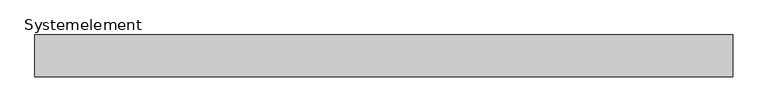
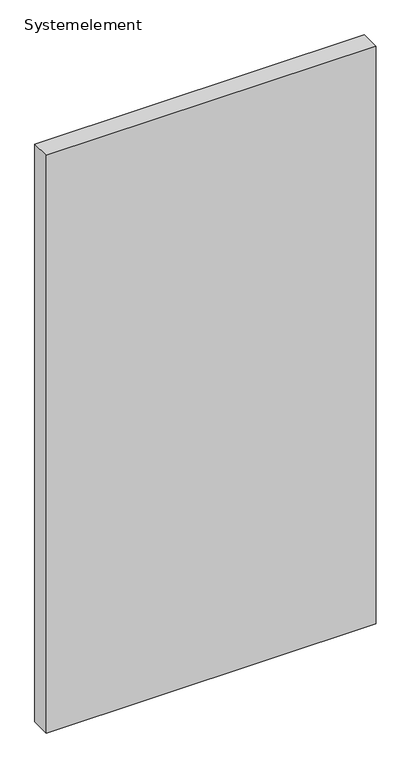
"""IFC4 building model written with IfcOpenShell, lengths in millimetres: plate geometry, Systemelement."""

from ifc_helpers import new_model, si_unit, origin, origin_with_axes, place, context, project, spatial, polyline, outline, extrude, source, transform, mapped, element, save


def systemelement_7816e761(model_context):
    return source(origin(), model_context, "Body", "SweptSolid", [
        extrude(outline(polyline([(500.0, -60.0), (-500.0, -60.0), (-500.0, 0.0), (500.0, 0.0), (500.0, -60.0)])), origin_with_axes(), (0.0, 0.0, 1.0), 1851.6147161),
    ])


if __name__ == "__main__":
    model = new_model("IFC4")
    model_context = context("Model", 3, world=origin())
    ifc_project = project(units=[si_unit("LENGTHUNIT", "METRE", prefix="MILLI")], contexts=[model_context])
    site = spatial("IfcSite", under=ifc_project)
    building = spatial("IfcBuilding", under=site)
    placement = place(None, origin())
    systemelement_shape = systemelement_7816e761(model_context)
    element("IfcPlate", 1, ObjectType="Systemelement", at=placement, inside=building, context=model_context, shape_type="MappedRepresentation", body=[
        mapped(systemelement_shape, transform((0.0, 0.0, 0.0), x_axis=(1.0, 0.0, 0.0), y_axis=(0.0, 1.0, 0.0), z_axis=(0.0, 0.0, 1.0))),
    ])
    save(model, "model.ifc")
